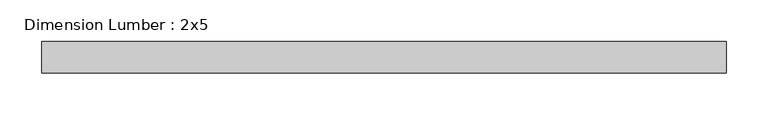
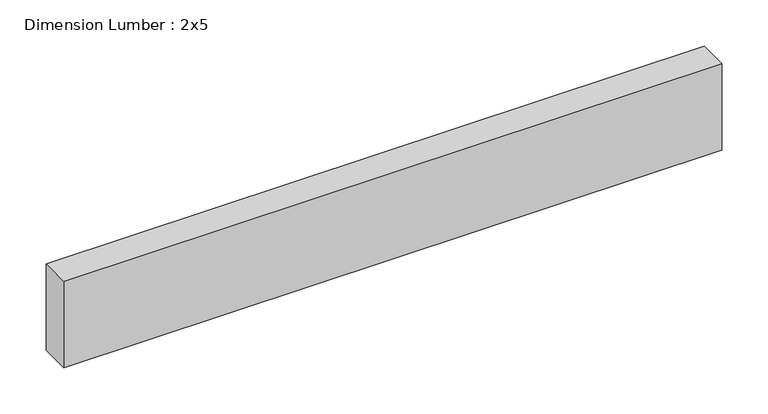
"""IFC4 building model written with IfcOpenShell, lengths in millimetres: beam geometry, Dimension Lumber : 2x5."""

from ifc_helpers import new_model, si_unit, frame, origin, place, context, project, spatial, polyline, outline, extrude, source, transform, mapped, element, save


def dimension_lumber_2x5_0c2a796d(model_context):
    return source(origin(), model_context, "Body", "SweptSolid", [
        extrude(outline(polyline([(410.5465906, 19.05), (410.5465906, -19.05), (-410.5465906, -19.05), (-410.5465906, 19.05), (410.5465906, 19.05)])), frame((0.0, 0.0, -57.15), z_axis=(0.0, 0.0, 1.0), x_axis=(1.0, 0.0, 0.0)), (0.0, 0.0, 1.0), 114.3),
    ])


if __name__ == "__main__":
    model = new_model("IFC4")
    model_context = context("Model", 3, world=origin())
    ifc_project = project(units=[si_unit("LENGTHUNIT", "METRE", prefix="MILLI")], contexts=[model_context])
    site = spatial("IfcSite", under=ifc_project)
    building = spatial("IfcBuilding", under=site)
    placement = place(None, origin())
    dimension_lumber_2x5_shape = dimension_lumber_2x5_0c2a796d(model_context)
    element("IfcBeam", 1, ObjectType="Dimension Lumber : 2x5", at=placement, inside=building, context=model_context, shape_type="MappedRepresentation", body=[
        mapped(dimension_lumber_2x5_shape, transform((0.0, 0.0, 0.0), x_axis=(1.0, 0.0, 0.0), y_axis=(0.0, 1.0, 0.0), z_axis=(0.0, 0.0, 1.0))),
    ])
    save(model, "model.ifc")
